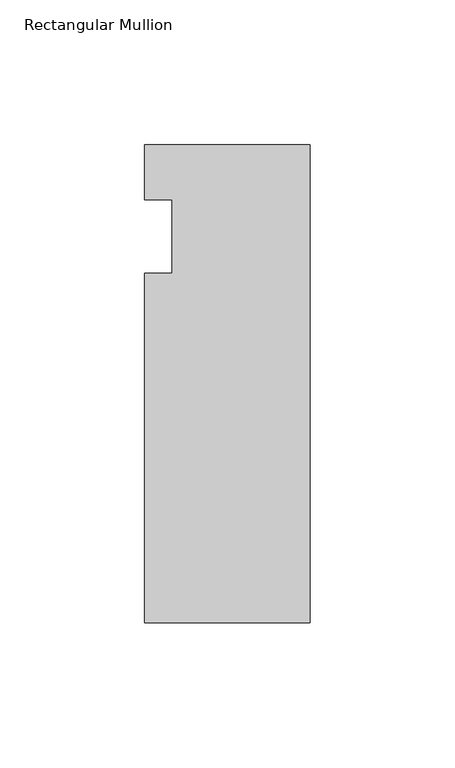
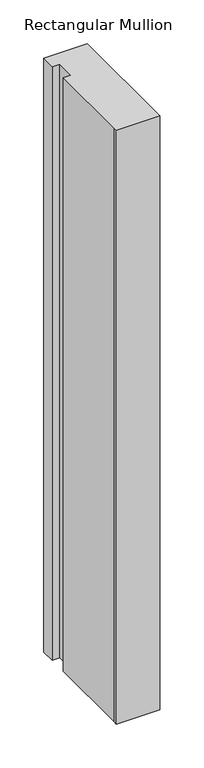
"""IFC4 building model written with IfcOpenShell, lengths in millimetres: member geometry, Rectangular Mullion."""

from ifc_helpers import new_model, si_unit, frame, origin, place, context, project, spatial, polyline, outline, extrude, source, transform, mapped, element, save


def rectangular_mullion_7d3ef4d5(model_context):
    return source(origin(), model_context, "Body", "SweptSolid", [
        extrude(outline(polyline([(-57.15, -146.05), (-57.15, -139.7), (-57.15, -25.4), (-47.6232296, -25.4), (-47.6232296, 0.0), (-57.15, 0.0), (-57.15, 19.05), (0.0, 19.05), (0.0, -146.05), (-57.15, -146.05)])), frame((0.0, 0.0, -825.5), z_axis=(0.0, 0.0, 1.0), x_axis=(1.0, 0.0, 0.0)), (0.0, 0.0, 1.0), 825.5),
    ])


if __name__ == "__main__":
    model = new_model("IFC4")
    model_context = context("Model", 3, world=origin())
    ifc_project = project(units=[si_unit("LENGTHUNIT", "METRE", prefix="MILLI")], contexts=[model_context])
    site = spatial("IfcSite", under=ifc_project)
    building = spatial("IfcBuilding", under=site)
    placement = place(None, origin())
    rectangular_mullion_shape = rectangular_mullion_7d3ef4d5(model_context)
    element("IfcMember", 1, ObjectType="Rectangular Mullion", at=placement, inside=building, context=model_context, shape_type="MappedRepresentation", body=[
        mapped(rectangular_mullion_shape, transform((0.0, 0.0, 0.0), x_axis=(1.0, 0.0, 0.0), y_axis=(0.0, 1.0, 0.0), z_axis=(0.0, 0.0, 1.0))),
    ])
    save(model, "model.ifc")
